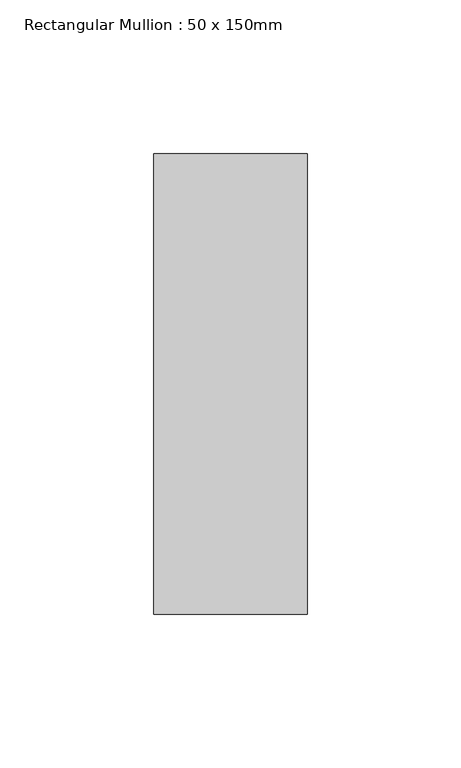
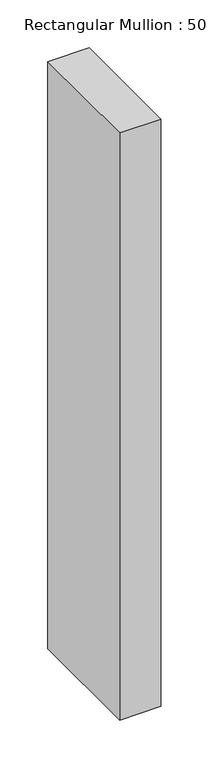
"""IFC4 building model written with IfcOpenShell, lengths in millimetres: member geometry, Rectangular Mullion : 50 x 150mm."""

from ifc_helpers import new_model, si_unit, frame, origin, place, context, project, spatial, polyline, outline, extrude, source, transform, mapped, element, save


def rectangular_mullion_50_x_150mm_0d3281e4(model_context):
    return source(origin(), model_context, "Body", "SweptSolid", [
        extrude(outline(polyline([(0.0, 75.0), (0.0, -75.0), (-50.0, -75.0), (-50.0, 75.0), (0.0, 75.0)])), frame((0.0, 0.0, -750.0), z_axis=(0.0, 0.0, 1.0), x_axis=(1.0, 0.0, 0.0)), (0.0, 0.0, 1.0), 750.0),
    ])


if __name__ == "__main__":
    model = new_model("IFC4")
    model_context = context("Model", 3, world=origin())
    ifc_project = project(units=[si_unit("LENGTHUNIT", "METRE", prefix="MILLI")], contexts=[model_context])
    site = spatial("IfcSite", under=ifc_project)
    building = spatial("IfcBuilding", under=site)
    placement = place(None, origin())
    rectangular_mullion_50_x_150mm_shape = rectangular_mullion_50_x_150mm_0d3281e4(model_context)
    element("IfcMember", 1, ObjectType="Rectangular Mullion : 50 x 150mm", at=placement, inside=building, context=model_context, shape_type="MappedRepresentation", body=[
        mapped(rectangular_mullion_50_x_150mm_shape, transform((0.0, 0.0, 0.0), x_axis=(1.0, 0.0, 0.0), y_axis=(0.0, 1.0, 0.0), z_axis=(0.0, 0.0, 1.0))),
    ])
    save(model, "model.ifc")
